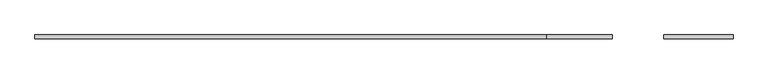
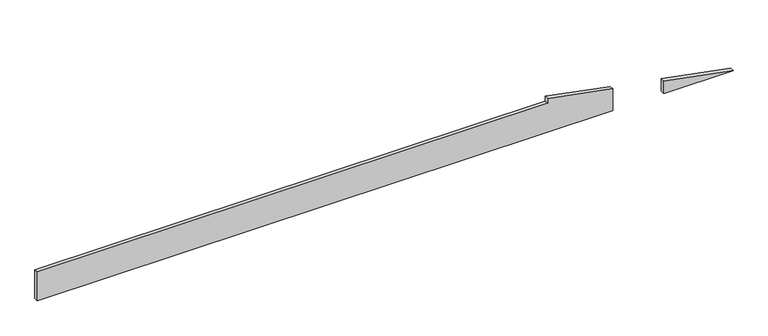
"""IFC4 building model written with IfcOpenShell, lengths in millimetres: plate geometry."""

from ifc_helpers import new_model, si_unit, frame, origin, place, context, project, spatial, polyline, outline, extrude, source, transform, mapped, element, save


def plate_5861464e(model_context):
    return source(origin(), model_context, "Body", "SweptSolid", [
        extrude(outline(polyline([(0.0, 1373.5618972), (0.0, 1715.1632765), (65.3498291, 1373.5618972), (0.0, 1373.5618972)])), frame((0.0, 20.0, 0.0), z_axis=(0.0, 1.0, 0.0), x_axis=(0.0, 0.0, 1.0)), (0.0, 0.0, 1.0), 20.0),
        extrude(outline(polyline([(0.0, -1715.1632765), (0.0, 1121.4744209), (113.5752593, 1121.4744209), (175.0, 800.3905492), (150.0, 800.3905492), (150.0, -1715.1632765), (0.0, -1715.1632765)])), frame((0.0, 20.0, 0.0), z_axis=(0.0, 1.0, 0.0), x_axis=(0.0, 0.0, 1.0)), (0.0, 0.0, 1.0), 20.0),
    ])


if __name__ == "__main__":
    model = new_model("IFC4")
    model_context = context("Model", 3, world=origin())
    ifc_project = project(units=[si_unit("LENGTHUNIT", "METRE", prefix="MILLI")], contexts=[model_context])
    site = spatial("IfcSite", under=ifc_project)
    building = spatial("IfcBuilding", under=site)
    placement = place(None, origin())
    plate_shape = plate_5861464e(model_context)
    element("IfcPlate", 1, at=placement, inside=building, context=model_context, shape_type="MappedRepresentation", body=[
        mapped(plate_shape, transform((0.0, 0.0, 0.0), x_axis=(1.0, 0.0, 0.0), y_axis=(0.0, 1.0, 0.0), z_axis=(0.0, 0.0, 1.0))),
    ])
    save(model, "model.ifc")
